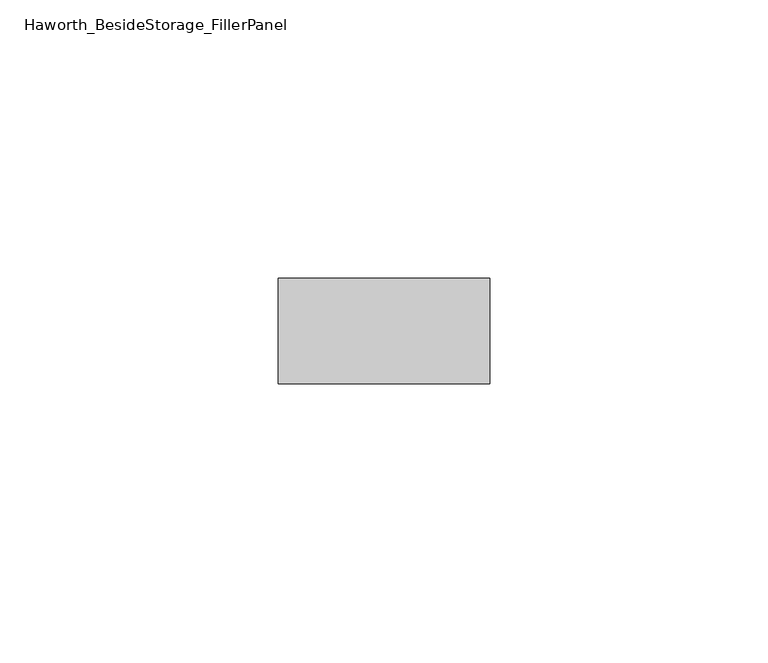
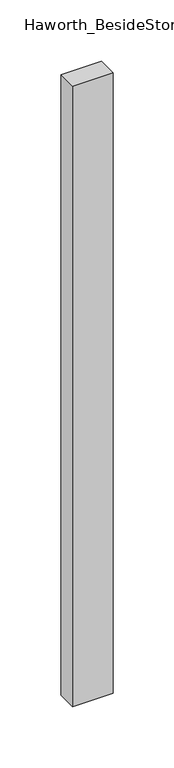
"""IFC4 building model written with IfcOpenShell, lengths in millimetres: furniture geometry, Haworth_BesideStorage_FillerPanel."""

from ifc_helpers import new_model, si_unit, frame, origin, place, context, project, spatial, polyline, outline, extrude, source, transform, mapped, element, save


def haworth_besidestorage_fillerpanel_25debc64(model_context):
    return source(origin(), model_context, "Body", "SweptSolid", [
        extrude(outline(polyline([(320.675, 247.8645843), (320.675, 228.8145843), (282.575, 228.8145843), (282.575, 247.8645843), (320.675, 247.8645843)])), frame((0.0, 0.0, 44.45), z_axis=(0.0, 0.0, 1.0), x_axis=(1.0, 0.0, 0.0)), (0.0, 0.0, 1.0), 619.125),
    ])


if __name__ == "__main__":
    model = new_model("IFC4")
    model_context = context("Model", 3, world=origin())
    ifc_project = project(units=[si_unit("LENGTHUNIT", "METRE", prefix="MILLI")], contexts=[model_context])
    site = spatial("IfcSite", under=ifc_project)
    building = spatial("IfcBuilding", under=site)
    placement = place(None, origin())
    haworth_besidestorage_fillerpanel_shape = haworth_besidestorage_fillerpanel_25debc64(model_context)
    element("IfcFurniture", 1, ObjectType="Haworth_BesideStorage_FillerPanel", at=placement, inside=building, context=model_context, shape_type="MappedRepresentation", body=[
        mapped(haworth_besidestorage_fillerpanel_shape, transform((0.0, 0.0, 0.0), x_axis=(1.0, 0.0, 0.0), y_axis=(0.0, 1.0, 0.0), z_axis=(0.0, 0.0, 1.0))),
    ])
    save(model, "model.ifc")
